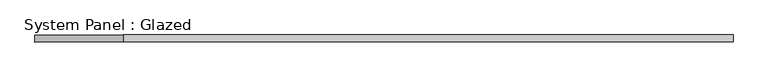
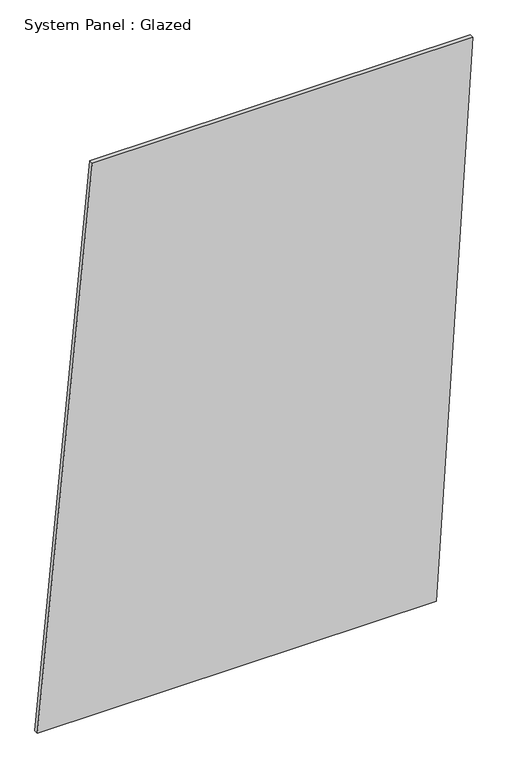
"""IFC4 building model written with IfcOpenShell, lengths in millimetres: plate geometry, System Panel : Glazed."""

from ifc_helpers import new_model, si_unit, frame, origin, place, context, project, spatial, polyline, outline, extrude, source, transform, mapped, element, save


def system_panel_glazed_3b033d5d(model_context):
    return source(origin(), model_context, "Body", "SweptSolid", [
        extrude(outline(polyline([(0.0, -1245.7289684), (0.0, 1035.8301242), (3337.7616575, 1245.7289684), (3337.7616575, -930.8807021), (0.0, -1245.7289684)])), frame((0.0, -49.5, 0.0), z_axis=(0.0, 1.0, 0.0), x_axis=(0.0, 0.0, 1.0)), (0.0, 0.0, 1.0), 25.0),
    ])


if __name__ == "__main__":
    model = new_model("IFC4")
    model_context = context("Model", 3, world=origin())
    ifc_project = project(units=[si_unit("LENGTHUNIT", "METRE", prefix="MILLI")], contexts=[model_context])
    site = spatial("IfcSite", under=ifc_project)
    building = spatial("IfcBuilding", under=site)
    placement = place(None, origin())
    system_panel_glazed_shape = system_panel_glazed_3b033d5d(model_context)
    element("IfcPlate", 1, ObjectType="System Panel : Glazed", at=placement, inside=building, context=model_context, shape_type="MappedRepresentation", body=[
        mapped(system_panel_glazed_shape, transform((0.0, 0.0, 0.0), x_axis=(1.0, 0.0, 0.0), y_axis=(0.0, 1.0, 0.0), z_axis=(0.0, 0.0, 1.0))),
    ])
    save(model, "model.ifc")
